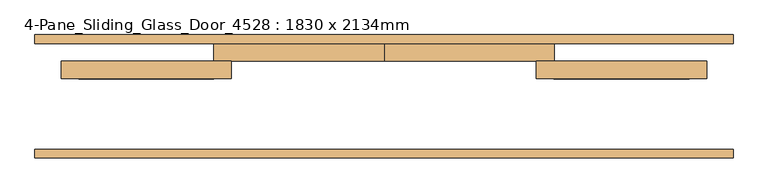
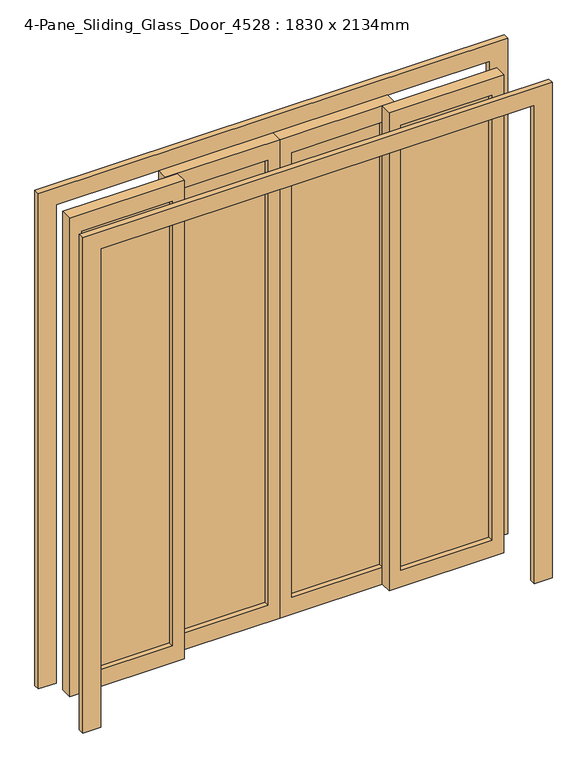
"""IFC4 building model written with IfcOpenShell, lengths in millimetres: door geometry, 4-Pane_Sliding_Glass_Door_4528 : 1830 x 2134mm."""

from ifc_helpers import new_model, si_unit, frame, origin, place, context, project, spatial, polyline, outline, extrude, source, transform, mapped, element, save


def door_4_pane_sliding_glass_door_4528_1830_x_2134mm_fe68859d(model_context):
    return source(origin(), model_context, "Body", "SweptSolid", [
        extrude(outline(polyline([(-862.5, 205.175), (-440.0, 205.175), (-440.0, 198.825), (-862.5, 198.825), (-862.5, 205.175)])), frame((0.0, 0.0, 75.0), z_axis=(0.0, 0.0, 1.0), x_axis=(1.0, 0.0, 0.0)), (0.0, 0.0, 1.0), 1984.0),
        extrude(outline(polyline([(2134.0, -390.0), (2134.0, -872.5), (0.0, -872.5), (0.0, -390.0), (2134.0, -390.0)]), holes=[polyline([(2059.0, -440.0), (75.0, -440.0), (75.0, -822.5), (2059.0, -822.5), (2059.0, -440.0)])]), frame((0.0, 177.0, 0.0), z_axis=(0.0, 1.0, 0.0), x_axis=(0.0, 0.0, 1.0)), (0.0, 0.0, 1.0), 50.0),
        extrude(outline(polyline([(-390.0, 255.175), (-7.5, 255.175), (-7.5, 248.825), (-390.0, 248.825), (-390.0, 255.175)])), frame((0.0, 0.0, 75.0), z_axis=(0.0, 0.0, 1.0), x_axis=(1.0, 0.0, 0.0)), (0.0, 0.0, 1.0), 1984.0),
        extrude(outline(polyline([(2134.0, -440.0), (0.0, -440.0), (0.0, 42.5), (2134.0, 42.5), (2134.0, -440.0)]), holes=[polyline([(2059.0, -390.0), (2059.0, -7.5), (75.0, -7.5), (75.0, -390.0), (2059.0, -390.0)])]), frame((0.0, 227.0, 0.0), z_axis=(0.0, 1.0, 0.0), x_axis=(0.0, 0.0, 1.0)), (0.0, 0.0, 1.0), 50.0),
        extrude(outline(polyline([(525.4, 205.175), (907.5, 205.175), (907.5, 198.825), (525.4, 198.825), (525.4, 205.175)])), frame((0.0, 0.0, 75.0), z_axis=(0.0, 0.0, 1.0), x_axis=(1.0, 0.0, 0.0)), (0.0, 0.0, 1.0), 1984.0),
        extrude(outline(polyline([(2134.0, 474.6), (0.0, 474.6), (0.0, 957.5), (2134.0, 957.5), (2134.0, 474.6)]), holes=[polyline([(2059.0, 524.6), (2059.0, 907.5), (75.0, 907.5), (75.0, 524.6), (2059.0, 524.6)])]), frame((0.0, 177.0, 0.0), z_axis=(0.0, 1.0, 0.0), x_axis=(0.0, 0.0, 1.0)), (0.0, 0.0, 1.0), 50.0),
        extrude(outline(polyline([(92.5, 255.175), (475.4, 255.175), (475.4, 248.825), (92.5, 248.825), (92.5, 255.175)])), frame((0.0, 0.0, 75.0), z_axis=(0.0, 0.0, 1.0), x_axis=(1.0, 0.0, 0.0)), (0.0, 0.0, 1.0), 1984.0),
        extrude(outline(polyline([(2134.0, 525.4), (2134.0, 42.5), (0.0, 42.5), (0.0, 525.4), (2134.0, 525.4)]), holes=[polyline([(2059.0, 475.4), (75.0, 475.4), (75.0, 92.5), (2059.0, 92.5), (2059.0, 475.4)])]), frame((0.0, 227.0, 0.0), z_axis=(0.0, 1.0, 0.0), x_axis=(0.0, 0.0, 1.0)), (0.0, 0.0, 1.0), 50.0),
        extrude(outline(polyline([(0.0, -947.5), (0.0, -872.5), (2134.0, -872.5), (2134.0, 957.5), (0.0, 957.5), (0.0, 1032.5), (2209.0, 1032.5), (2209.0, -947.5), (0.0, -947.5)])), frame((0.0, -48.0, 0.0), z_axis=(0.0, 1.0, 0.0), x_axis=(0.0, 0.0, 1.0)), (0.0, 0.0, 1.0), 25.0),
        extrude(outline(polyline([(0.0, 1032.5), (2209.0, 1032.5), (2209.0, -947.5), (0.0, -947.5), (0.0, -872.5), (2134.0, -872.5), (2134.0, 957.5), (0.0, 957.5), (0.0, 1032.5)])), frame((0.0, 277.0, 0.0), z_axis=(0.0, 1.0, 0.0), x_axis=(0.0, 0.0, 1.0)), (0.0, 0.0, 1.0), 25.0),
    ])


if __name__ == "__main__":
    model = new_model("IFC4")
    model_context = context("Model", 3, world=origin())
    ifc_project = project(units=[si_unit("LENGTHUNIT", "METRE", prefix="MILLI")], contexts=[model_context])
    site = spatial("IfcSite", under=ifc_project)
    building = spatial("IfcBuilding", under=site)
    placement = place(None, origin())
    door_4_pane_sliding_glass_door_4528_1830_x_2134mm_shape = door_4_pane_sliding_glass_door_4528_1830_x_2134mm_fe68859d(model_context)
    element("IfcDoor", 1, ObjectType="4-Pane_Sliding_Glass_Door_4528 : 1830 x 2134mm", at=placement, inside=building, context=model_context, shape_type="MappedRepresentation", body=[
        mapped(door_4_pane_sliding_glass_door_4528_1830_x_2134mm_shape, transform((0.0, 0.0, 0.0), x_axis=(1.0, 0.0, 0.0), y_axis=(0.0, 1.0, 0.0), z_axis=(0.0, 0.0, 1.0))),
    ])
    save(model, "model.ifc")
